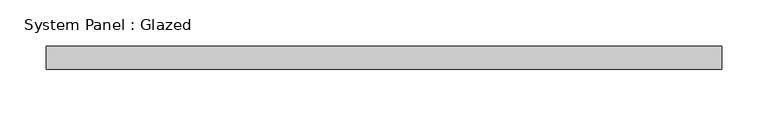
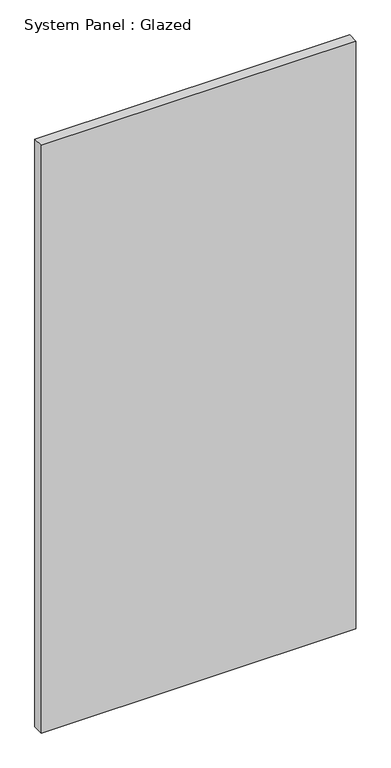
"""IFC4 building model written with IfcOpenShell, lengths in millimetres: plate geometry, System Panel : Glazed."""

from ifc_helpers import new_model, si_unit, origin, origin_with_axes, place, context, project, spatial, polyline, outline, extrude, source, transform, mapped, element, save


def system_panel_glazed_71f2c2fc(model_context):
    return source(origin(), model_context, "Body", "SweptSolid", [
        extrude(outline(polyline([(366.7125, 19.05), (-366.7125, 19.05), (-366.7125, 44.45), (366.7125, 44.45), (366.7125, 19.05)])), origin_with_axes(), (0.0, 0.0, 1.0), 1447.8),
    ])


if __name__ == "__main__":
    model = new_model("IFC4")
    model_context = context("Model", 3, world=origin())
    ifc_project = project(units=[si_unit("LENGTHUNIT", "METRE", prefix="MILLI")], contexts=[model_context])
    site = spatial("IfcSite", under=ifc_project)
    building = spatial("IfcBuilding", under=site)
    placement = place(None, origin())
    system_panel_glazed_shape = system_panel_glazed_71f2c2fc(model_context)
    element("IfcPlate", 1, ObjectType="System Panel : Glazed", at=placement, inside=building, context=model_context, shape_type="MappedRepresentation", body=[
        mapped(system_panel_glazed_shape, transform((0.0, 0.0, 0.0), x_axis=(1.0, 0.0, 0.0), y_axis=(0.0, 1.0, 0.0), z_axis=(0.0, 0.0, 1.0))),
    ])
    save(model, "model.ifc")
